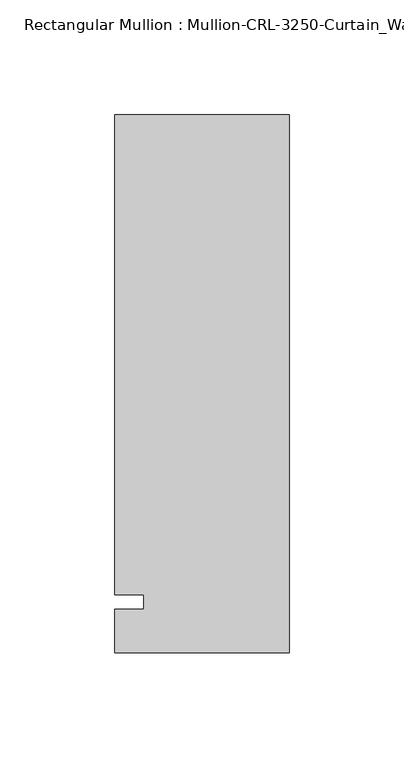
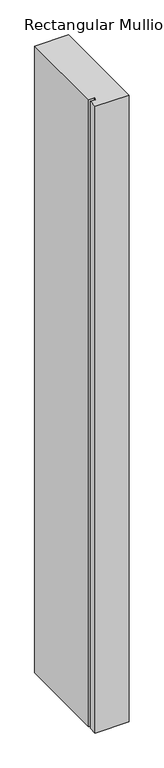
"""IFC4 building model written with IfcOpenShell, lengths in millimetres: member geometry."""

from ifc_helpers import new_model, si_unit, frame, origin, place, context, project, spatial, polyline, outline, extrude, source, transform, mapped, element, save


def member_c1c98c07(model_context):
    return source(origin(), model_context, "Body", "SweptSolid", [
        extrude(outline(polyline([(-76.199997, -3.175), (-63.499997, -3.175), (-63.499997, 3.175), (-76.199997, 3.175), (-76.199997, 212.725), (0.0, 212.725), (0.0, -22.2254168), (-76.199997, -22.2254168), (-76.199997, -3.175)])), frame((0.0, 0.0, -1485.9), z_axis=(0.0, 0.0, 1.0), x_axis=(1.0, 0.0, 0.0)), (0.0, 0.0, 1.0), 1485.9),
    ])


if __name__ == "__main__":
    model = new_model("IFC4")
    model_context = context("Model", 3, world=origin())
    ifc_project = project(units=[si_unit("LENGTHUNIT", "METRE", prefix="MILLI")], contexts=[model_context])
    site = spatial("IfcSite", under=ifc_project)
    building = spatial("IfcBuilding", under=site)
    placement = place(None, origin())
    member_shape = member_c1c98c07(model_context)
    element("IfcMember", 1, ObjectType="Rectangular Mullion : Mullion-CRL-3250-Curtain_Wall-Left_Jamb-8\"", at=placement, inside=building, context=model_context, shape_type="MappedRepresentation", body=[
        mapped(member_shape, transform((0.0, 0.0, 0.0), x_axis=(1.0, 0.0, 0.0), y_axis=(0.0, 1.0, 0.0), z_axis=(0.0, 0.0, 1.0))),
    ])
    save(model, "model.ifc")
